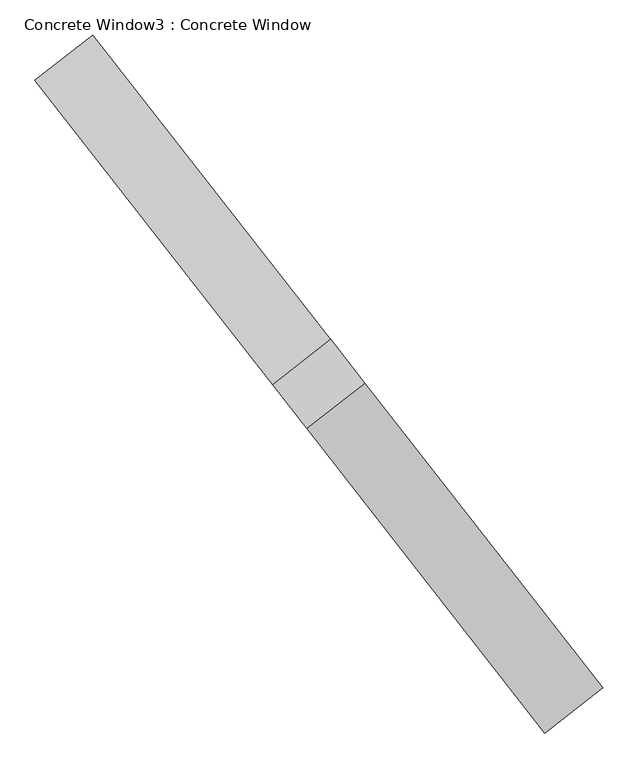
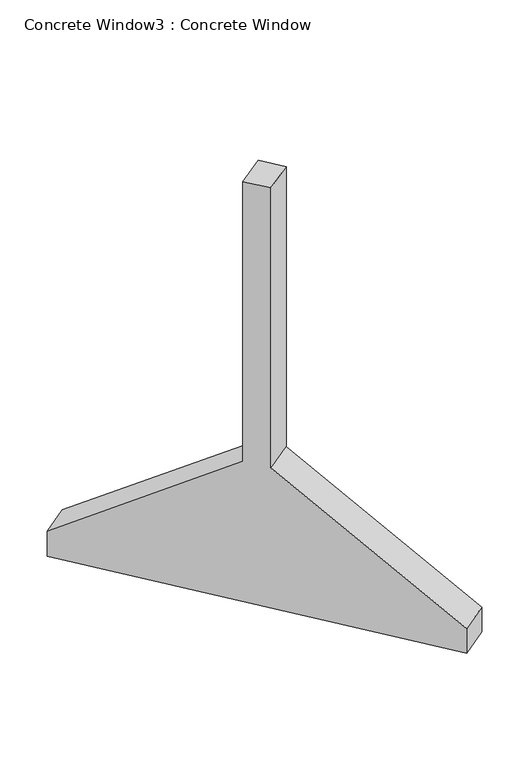
"""IFC4 building model written with IfcOpenShell, lengths in millimetres: proxy geometry, Concrete Window3 : Concrete Window."""

from ifc_helpers import new_model, si_unit, frame, origin, place, context, project, spatial, polyline, outline, extrude, source, transform, mapped, element, save


def concrete_window3_concrete_window_af57b7e5(model_context):
    return source(origin(), model_context, "Body", "SweptSolid", [
        extrude(outline(polyline([(0.0, 0.0), (152.4, 0.0), (863.6, -1066.8), (2590.8, -1066.8), (2590.8, -1219.2), (863.6, -1219.2), (152.4, -2286.0), (0.0, -2286.0), (0.0, 0.0)])), frame((150911.0897791, 6761.1429865, 0.0), z_axis=(0.7880107536067225, 0.6156614753256578, 0.0), x_axis=(0.0, 0.0, 1.0)), (0.0, 0.0, 1.0), 203.2),
    ])


if __name__ == "__main__":
    model = new_model("IFC4")
    model_context = context("Model", 3, world=origin())
    ifc_project = project(units=[si_unit("LENGTHUNIT", "METRE", prefix="MILLI")], contexts=[model_context])
    site = spatial("IfcSite", under=ifc_project)
    building = spatial("IfcBuilding", under=site)
    placement = place(None, origin())
    concrete_window3_concrete_window_shape = concrete_window3_concrete_window_af57b7e5(model_context)
    element("IfcBuildingElementProxy", 1, Name="Concrete Window3 : Concrete Window", ObjectType="Concrete Window3 : Concrete Window", at=placement, inside=building, context=model_context, shape_type="MappedRepresentation", body=[
        mapped(concrete_window3_concrete_window_shape, transform((0.0, 0.0, 0.0), x_axis=(1.0, 0.0, 0.0), y_axis=(0.0, 1.0, 0.0), z_axis=(0.0, 0.0, 1.0))),
    ])
    save(model, "model.ifc")
